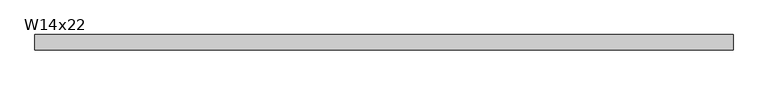
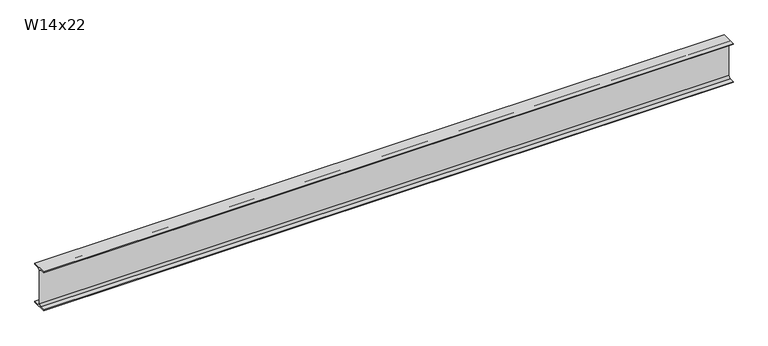
"""IFC4 building model written with IfcOpenShell, lengths in millimetres: beam geometry, W14x22."""

from ifc_helpers import new_model, si_unit, point, frame, frame_2d, origin, place, context, project, spatial, polyline, circle_curve, trimmed, segment, composite_curve, outline, extrude, source, transform, mapped, element, save


def w14x22_6c98cb30(model_context):
    return source(origin(), model_context, "Body", "SweptSolid", [
        extrude(outline(composite_curve([segment(polyline([(63.5, -165.481), (63.5, -173.99), (-63.5, -173.99), (-63.5, -165.481), (-21.3995, -165.481)]), True, "CONTINUOUS"), segment(trimmed(circle_curve(frame_2d((-21.3995, -147.0025)), 18.4785), [point((-21.3995, -165.481))], [point((-2.921, -147.0025))], True, "CARTESIAN"), True, "CONTINUOUS"), segment(polyline([(-2.921, -147.0025), (-2.921, 147.0025)]), True, "CONTINUOUS"), segment(trimmed(circle_curve(frame_2d((-21.3995, 147.0025)), 18.4785), [point((-2.921, 147.0025))], [point((-21.3995, 165.481))], True, "CARTESIAN"), True, "CONTINUOUS"), segment(polyline([(-21.3995, 165.481), (-63.5, 165.481), (-63.5, 173.99), (63.5, 173.99), (63.5, 165.481), (21.3995, 165.481)]), True, "CONTINUOUS"), segment(trimmed(circle_curve(frame_2d((21.3995, 147.0025)), 18.4785), [point((21.3995, 165.481))], [point((2.921, 147.0025))], True, "CARTESIAN"), True, "CONTINUOUS"), segment(polyline([(2.921, 147.0025), (2.921, -147.0025)]), True, "CONTINUOUS"), segment(trimmed(circle_curve(frame_2d((21.3995, -147.0025)), 18.4785), [point((2.921, -147.0025))], [point((21.3995, -165.481))], True, "CARTESIAN"), True, "CONTINUOUS"), segment(polyline([(21.3995, -165.481), (63.5, -165.481)]), True, "CONTINUOUS")], self_intersect=False)), frame((-2857.373353, 0.0, 0.0), z_axis=(1.0, 0.0, 0.0), x_axis=(0.0, 1.0, 0.0)), (0.0, 0.0, 1.0), 5829.173353),
    ])


if __name__ == "__main__":
    model = new_model("IFC4")
    model_context = context("Model", 3, world=origin())
    ifc_project = project(units=[si_unit("LENGTHUNIT", "METRE", prefix="MILLI")], contexts=[model_context])
    site = spatial("IfcSite", under=ifc_project)
    building = spatial("IfcBuilding", under=site)
    placement = place(None, origin())
    w14x22_shape = w14x22_6c98cb30(model_context)
    element("IfcBeam", 1, ObjectType="W14x22", at=placement, inside=building, context=model_context, shape_type="MappedRepresentation", body=[
        mapped(w14x22_shape, transform((0.0, 0.0, 0.0), x_axis=(1.0, 0.0, 0.0), y_axis=(0.0, 1.0, 0.0), z_axis=(0.0, 0.0, 1.0))),
    ])
    save(model, "model.ifc")
